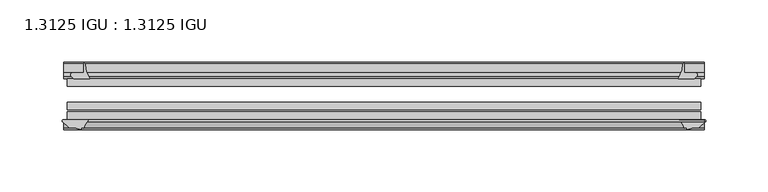
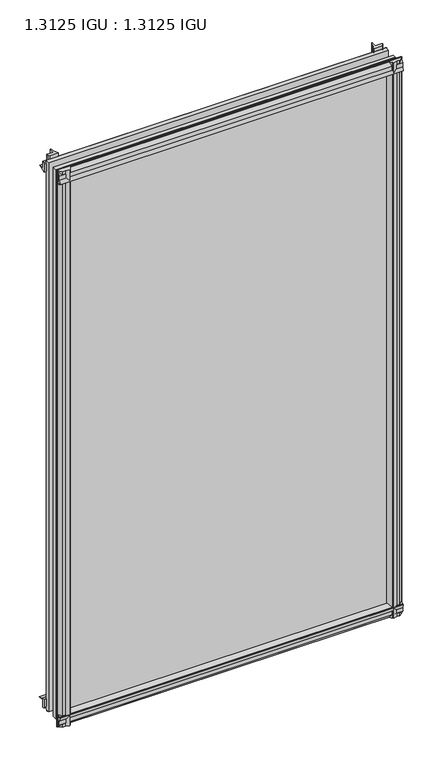
"""IFC4 building model written with IfcOpenShell, lengths in millimetres: plate geometry, 1.3125 IGU : 1.3125 IGU."""

from ifc_helpers import new_model, si_unit, point, frame, frame_2d, origin, place, context, project, spatial, polyline, circle_curve, trimmed, segment, composite_curve, outline, extrude, source, transform, mapped, element, save


def plate_1_3125_igu_1_3125_igu_0a7fe967(model_context):
    return source(origin(), model_context, "Body", "SweptSolid", [
        extrude(outline(composite_curve([segment(polyline([(-22.094825, 0.0), (-22.094825, -9.916835)]), True, "CONTINUOUS"), segment(trimmed(circle_curve(frame_2d((-23.669625, -9.916835)), 1.5748), [point((-22.094825, -9.916835))], [point((-24.8706146, -10.9354709))], False, "CARTESIAN"), True, "CONTINUOUS"), segment(polyline([(-24.8706146, -10.9354709), (-26.590625, -8.9075484), (-26.590625, 4.0446407)]), True, "CONTINUOUS"), segment(trimmed(circle_curve(frame_2d((-7.1839113, 38.4138813)), 39.4698015), [point((-26.590625, 4.0446407))], [point((-19.4504626, 0.8985917))], True, "CARTESIAN"), True, "CONTINUOUS"), segment(polyline([(-19.4504626, 0.8985917), (-13.3986538, 0.0), (-22.094825, 0.0)]), True, "CONTINUOUS")], self_intersect=False)), frame((-257.8393096, 0.0, 0.0), z_axis=(1.0, 0.0, 0.0), x_axis=(0.0, 1.0, 0.0)), (0.0, 0.0, 1.0), 515.6786192),
        extrude(outline(composite_curve([segment(trimmed(circle_curve(frame_2d((-67.8737919, 9.6311377)), 10.5748618), [point((-66.062225, -0.7874))], [point((-59.712225, 2.9068141))], True, "CARTESIAN"), True, "CONTINUOUS"), segment(polyline([(-59.712225, 2.9068141), (-59.712225, -18.0442511)]), True, "CONTINUOUS"), segment(trimmed(circle_curve(frame_2d((-60.728225, -18.0442511)), 1.016), [point((-59.712225, -18.0442511))], [point((-61.4950672, -18.7107412))], False, "CARTESIAN"), True, "CONTINUOUS"), segment(polyline([(-61.4950672, -18.7107412), (-66.062225, -13.4559149), (-66.062225, -7.4520336), (-67.637025, -1.5748), (-66.062225, -1.5748), (-66.062225, -0.7874)]), True, "CONTINUOUS")], self_intersect=False)), frame((-257.8393096, 0.0, 0.0), z_axis=(1.0, 0.0, 0.0), x_axis=(0.0, 1.0, 0.0)), (0.0, 0.0, 1.0), 515.6786192),
        extrude(outline(composite_curve([segment(polyline([(-66.062225, 857.9598774), (-61.4950672, 863.2147037)]), True, "CONTINUOUS"), segment(trimmed(circle_curve(frame_2d((-60.728225, 862.5482136)), 1.016), [point((-61.4950672, 863.2147037))], [point((-59.712225, 862.5482136))], False, "CARTESIAN"), True, "CONTINUOUS"), segment(polyline([(-59.712225, 862.5482136), (-59.712225, 842.0230921)]), True, "CONTINUOUS"), segment(trimmed(circle_curve(frame_2d((-66.4211348, 836.3932283)), 8.7581298), [point((-59.712225, 842.0230921))], [point((-66.062225, 845.1440009))], True, "CARTESIAN"), True, "CONTINUOUS"), segment(polyline([(-66.062225, 845.1440009), (-66.062225, 846.0787625), (-67.637025, 846.0787625), (-66.062225, 851.9559961), (-66.062225, 857.9598774)]), True, "CONTINUOUS")], self_intersect=False)), frame((-257.8393096, 0.0, 0.0), z_axis=(1.0, 0.0, 0.0), x_axis=(0.0, 1.0, 0.0)), (0.0, 0.0, 1.0), 515.6786192),
        extrude(outline(composite_curve([segment(polyline([(-26.590625, 840.4593218), (-26.590625, 853.4115109), (-24.8706146, 855.4394334)]), True, "CONTINUOUS"), segment(trimmed(circle_curve(frame_2d((-23.669625, 854.4207975)), 1.5748), [point((-24.8706146, 855.4394334))], [point((-22.094825, 854.4207975))], False, "CARTESIAN"), True, "CONTINUOUS"), segment(polyline([(-22.094825, 854.4207975), (-22.094825, 844.55), (-14.5883882, 844.55), (-18.3240316, 843.7633459)]), True, "CONTINUOUS"), segment(trimmed(circle_curve(frame_2d((-16.4585419, 831.134903)), 12.7654855), [point((-18.3240316, 843.7633459))], [point((-20.5939581, 843.2119869))], True, "CARTESIAN"), True, "CONTINUOUS"), segment(trimmed(circle_curve(frame_2d((-7.1839113, 806.0900812)), 39.4698015), [point((-20.5939581, 843.2119869))], [point((-26.590625, 840.4593218))], True, "CARTESIAN"), True, "CONTINUOUS")], self_intersect=False)), frame((-257.8393096, 0.0, 0.0), z_axis=(1.0, 0.0, 0.0), x_axis=(0.0, 1.0, 0.0)), (0.0, 0.0, 1.0), 515.6786192),
        extrude(outline(composite_curve([segment(polyline([(249.6783818, -26.590625), (236.7261926, -26.590625)]), True, "CONTINUOUS"), segment(trimmed(circle_curve(frame_2d((202.3569521, -7.1839113)), 39.4698015), [point((236.7261926, -26.590625))], [point((239.8722416, -19.4504626))], True, "CARTESIAN"), True, "CONTINUOUS"), segment(polyline([(239.8722416, -19.4504626), (240.5181167, -15.1006424)]), True, "CONTINUOUS"), segment(trimmed(circle_curve(frame_2d((241.2976021, -15.2120036)), 0.7874), [point((240.5181167, -15.1006424))], [point((241.5645833, -14.4712474))], False, "CARTESIAN"), True, "CONTINUOUS"), segment(polyline([(241.5645833, -14.4712474), (241.5645833, -22.094825), (250.6876683, -22.094825)]), True, "CONTINUOUS"), segment(trimmed(circle_curve(frame_2d((250.6876683, -23.669625)), 1.5748), [point((250.6876683, -22.094825))], [point((251.7063042, -24.8706146))], False, "CARTESIAN"), True, "CONTINUOUS"), segment(polyline([(251.7063042, -24.8706146), (249.6783818, -26.590625)]), True, "CONTINUOUS")], self_intersect=False)), frame((0.0, 0.0, -18.2728511), z_axis=(0.0, 0.0, 1.0), x_axis=(1.0, 0.0, 0.0)), (0.0, 0.0, 1.0), 882.1352548),
        extrude(outline(composite_curve([segment(polyline([(237.4198081, -59.712225), (257.9802349, -59.712225)]), True, "CONTINUOUS"), segment(trimmed(circle_curve(frame_2d((257.9802349, -60.728225)), 1.016), [point((257.9802349, -59.712225))], [point((258.6467249, -61.4950672))], False, "CARTESIAN"), True, "CONTINUOUS"), segment(polyline([(258.6467249, -61.4950672), (253.3918987, -66.062225), (249.4166669, -66.062225), (243.5394333, -67.637025), (243.5394333, -66.062225), (242.4490777, -66.062225)]), True, "CONTINUOUS"), segment(trimmed(circle_curve(frame_2d((242.4490777, -66.849625)), 0.7874), [point((242.4490777, -66.062225))], [point((241.6713719, -66.7264485))], True, "CARTESIAN"), True, "CONTINUOUS"), segment(trimmed(circle_curve(frame_2d((228.6060553, -69.8501675)), 13.4335445), [point((241.6713719, -66.7264485))], [point((237.4198081, -59.712225))], True, "CARTESIAN"), True, "CONTINUOUS")], self_intersect=False)), frame((0.0, 0.0, -18.2728511), z_axis=(0.0, 0.0, 1.0), x_axis=(1.0, 0.0, 0.0)), (0.0, 0.0, 1.0), 882.1352548),
        extrude(outline(composite_curve([segment(polyline([(-240.5181167, -15.1006424), (-240.0437017, -18.2957187)]), True, "CONTINUOUS"), segment(trimmed(circle_curve(frame_2d((-227.4814285, -16.4304327)), 12.7), [point((-240.0437017, -18.2957187))], [point((-239.4949569, -20.5493081))], True, "CARTESIAN"), True, "CONTINUOUS"), segment(trimmed(circle_curve(frame_2d((-202.3569521, -7.1839113)), 39.4698015), [point((-239.4949569, -20.5493081))], [point((-236.7261926, -26.590625))], True, "CARTESIAN"), True, "CONTINUOUS"), segment(polyline([(-236.7261926, -26.590625), (-249.6783818, -26.590625), (-251.7063042, -24.8706146)]), True, "CONTINUOUS"), segment(trimmed(circle_curve(frame_2d((-250.6876683, -23.669625)), 1.5748), [point((-251.7063042, -24.8706146))], [point((-250.6876683, -22.094825))], False, "CARTESIAN"), True, "CONTINUOUS"), segment(polyline([(-250.6876683, -22.094825), (-241.5328333, -22.094825), (-241.5328333, -14.4605617)]), True, "CONTINUOUS"), segment(trimmed(circle_curve(frame_2d((-241.2976021, -15.2120036)), 0.7874), [point((-241.5328333, -14.4605617))], [point((-240.5181167, -15.1006424))], False, "CARTESIAN"), True, "CONTINUOUS")], self_intersect=False)), frame((0.0, 0.0, -18.2728511), z_axis=(0.0, 0.0, 1.0), x_axis=(1.0, 0.0, 0.0)), (0.0, 0.0, 1.0), 882.4847648),
        extrude(outline(composite_curve([segment(trimmed(circle_curve(frame_2d((-228.6060553, -69.8501675)), 13.4335445), [point((-237.4198081, -59.712225))], [point((-241.6713719, -66.7264485))], True, "CARTESIAN"), True, "CONTINUOUS"), segment(trimmed(circle_curve(frame_2d((-242.4490777, -66.849625)), 0.7874), [point((-241.6713719, -66.7264485))], [point((-242.4490777, -66.062225))], True, "CARTESIAN"), True, "CONTINUOUS"), segment(polyline([(-242.4490777, -66.062225), (-243.5394333, -66.062225), (-243.5394333, -67.637025), (-249.4166669, -66.062225), (-253.3918987, -66.062225), (-258.6467249, -61.4950672)]), True, "CONTINUOUS"), segment(trimmed(circle_curve(frame_2d((-257.9802349, -60.728225)), 1.016), [point((-258.6467249, -61.4950672))], [point((-257.9802349, -59.712225))], False, "CARTESIAN"), True, "CONTINUOUS"), segment(polyline([(-257.9802349, -59.712225), (-237.4198081, -59.712225)]), True, "CONTINUOUS")], self_intersect=False)), frame((0.0, 0.0, -18.2728511), z_axis=(0.0, 0.0, 1.0), x_axis=(1.0, 0.0, 0.0)), (0.0, 0.0, 1.0), 882.4847648),
        extrude(outline(polyline([(-255.0583333, -26.590625), (255.0583333, -26.590625), (255.0583333, -32.889825), (-255.0583333, -32.889825), (-255.0583333, -26.590625)])), frame((0.0, 0.0, -12.8524), z_axis=(0.0, 0.0, 1.0), x_axis=(1.0, 0.0, 0.0)), (0.0, 0.0, 1.0), 871.6438625),
        extrude(outline(polyline([(255.0583333, -45.589825), (255.0583333, -51.889025), (-255.0583333, -51.889025), (-255.0583333, -45.589825), (255.0583333, -45.589825)])), frame((0.0, 0.0, -12.8524), z_axis=(0.0, 0.0, 1.0), x_axis=(1.0, 0.0, 0.0)), (0.0, 0.0, 1.0), 871.6438625),
        extrude(outline(polyline([(255.0583333, -53.413025), (255.0583333, -59.712225), (-255.0583333, -59.712225), (-255.0583333, -53.413025), (255.0583333, -53.413025)])), frame((0.0, 0.0, -12.8524), z_axis=(0.0, 0.0, 1.0), x_axis=(1.0, 0.0, 0.0)), (0.0, 0.0, 1.0), 871.6438625),
    ])


if __name__ == "__main__":
    model = new_model("IFC4")
    model_context = context("Model", 3, world=origin())
    ifc_project = project(units=[si_unit("LENGTHUNIT", "METRE", prefix="MILLI")], contexts=[model_context])
    site = spatial("IfcSite", under=ifc_project)
    building = spatial("IfcBuilding", under=site)
    placement = place(None, origin())
    plate_1_3125_igu_1_3125_igu_shape = plate_1_3125_igu_1_3125_igu_0a7fe967(model_context)
    element("IfcPlate", 1, ObjectType="1.3125 IGU : 1.3125 IGU", at=placement, inside=building, context=model_context, shape_type="MappedRepresentation", body=[
        mapped(plate_1_3125_igu_1_3125_igu_shape, transform((0.0, 0.0, 0.0), x_axis=(1.0, 0.0, 0.0), y_axis=(0.0, 1.0, 0.0), z_axis=(0.0, 0.0, 1.0))),
    ])
    save(model, "model.ifc")
